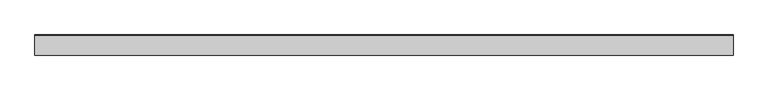
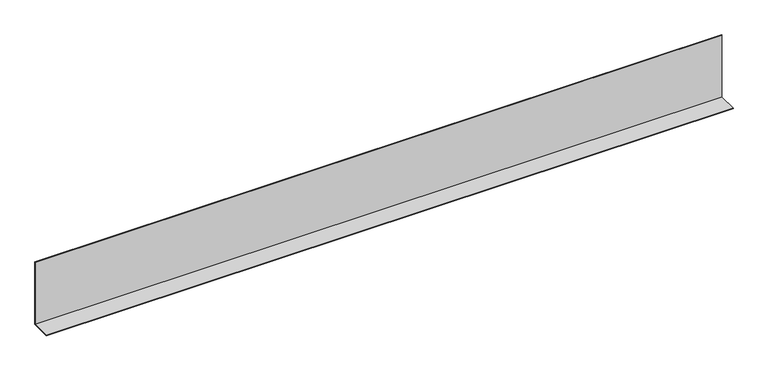
"""IFC4 building model written with IfcOpenShell, lengths in millimetres: proxy geometry."""

from ifc_helpers import new_model, si_unit, frame, origin, place, context, project, spatial, polyline, outline, extrude, source, transform, mapped, element, save


def generic_models_b8ec58ca(model_context):
    return source(origin(), model_context, "Body", "SweptSolid", [
        extrude(outline(polyline([(0.0, 200.0), (0.0, 0.0), (-60.0, 0.0), (-60.0, 1.0), (-1.0, 1.0), (-1.0, 200.0), (0.0, 200.0)])), frame((0.0, 0.0, 0.0), z_axis=(1.0, 0.0, 0.0), x_axis=(0.0, 1.0, 0.0)), (0.0, 0.0, 1.0), 2080.0),
        extrude(outline(polyline([(0.0, 200.0), (0.0, 0.0), (-60.0, 0.0), (-60.0, 1.0), (-1.0, 1.0), (-1.0, 200.0), (0.0, 200.0)])), frame((0.0, 0.0, 0.0), z_axis=(1.0, 0.0, 0.0), x_axis=(0.0, 1.0, 0.0)), (0.0, 0.0, 1.0), 2080.0),
    ])


if __name__ == "__main__":
    model = new_model("IFC4")
    model_context = context("Model", 3, world=origin())
    ifc_project = project(units=[si_unit("LENGTHUNIT", "METRE", prefix="MILLI")], contexts=[model_context])
    site = spatial("IfcSite", under=ifc_project)
    building = spatial("IfcBuilding", under=site)
    placement = place(None, origin())
    generic_models_shape = generic_models_b8ec58ca(model_context)
    element("IfcBuildingElementProxy", 1, Name="Generic Models", at=placement, inside=building, context=model_context, shape_type="MappedRepresentation", body=[
        mapped(generic_models_shape, transform((0.0, 0.0, 0.0), x_axis=(1.0, 0.0, 0.0), y_axis=(0.0, 1.0, 0.0), z_axis=(0.0, 0.0, 1.0))),
    ])
    save(model, "model.ifc")
